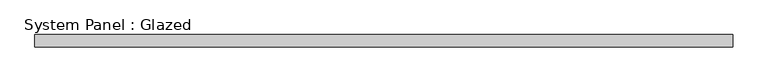
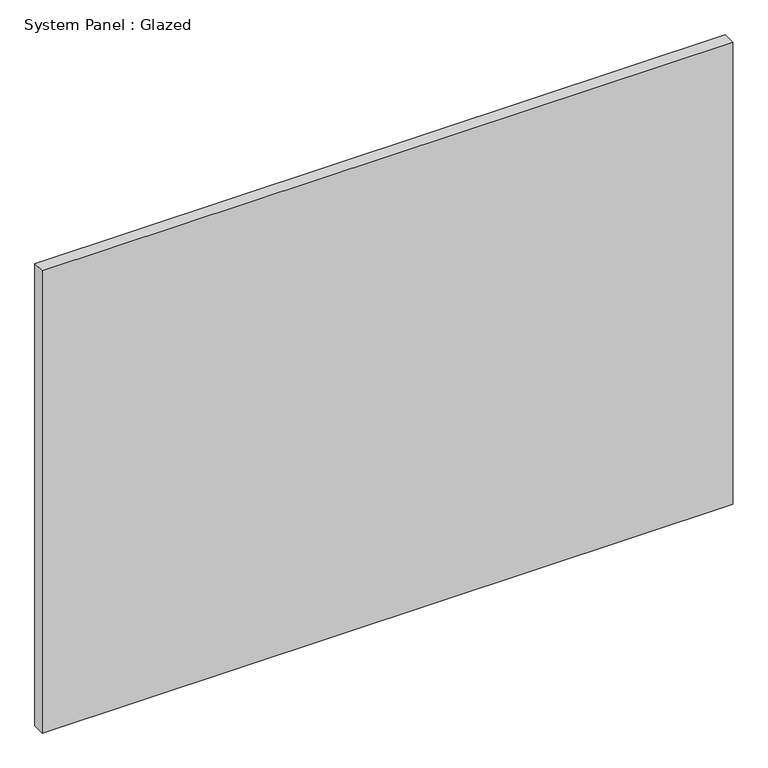
"""IFC4 building model written with IfcOpenShell, lengths in millimetres: plate geometry, System Panel : Glazed."""

import ifcopenshell
import ifcopenshell.guid

model = None  # the IFC model being written
_history = None  # IfcOwnerHistory: only IFC2X3 demands one
_inside = {}  # id of a spatial element -> (the spatial element, [elements in it])
_under = {}  # id of a project, library or spatial element -> (it, [spatial elements below it])
_declared = {}  # id of a project -> (the project, [libraries it declares])
_typed = {}  # id of a type object -> (the type object, [elements of that type])
_made_of = {}  # id of a material, layer set ... -> (it, [elements and type objects made of it])


def new_model(schema):
    """Start an empty IFC model of exactly this schema.

    Asked for "IFC4X3", IfcOpenShell would pick the latest addendum, in which some entities
    have other attributes; the version numbers below select the first issue.
    IFC2X3 requires an IfcOwnerHistory on every rooted entity: one is made here for all.
    """
    global model, _history
    if schema == "IFC4X3":
        model = ifcopenshell.file(schema_version=(4, 3, 0, 0))
    else:
        model = ifcopenshell.file(schema=schema)
    _inside.clear()
    _under.clear()
    _declared.clear()
    _typed.clear()
    _made_of.clear()
    _history = None
    if model.schema == "IFC2X3":
        org = make("IfcOrganization", Name="unknown")
        user = make(
            "IfcPersonAndOrganization",
            ThePerson=make("IfcPerson", FamilyName="unknown"),
            TheOrganization=org,
        )
        app = make(
            "IfcApplication",
            ApplicationDeveloper=org,
            Version="unknown",
            ApplicationFullName="unknown",
            ApplicationIdentifier="unknown",
        )
        _history = make(
            "IfcOwnerHistory",
            OwningUser=user,
            OwningApplication=app,
            ChangeAction="ADDED",
            CreationDate=0,
        )
    return model


def make(cls, **values):
    """One entity of the class cls with the attributes given. An attribute that is None is left unset."""
    return model.create_entity(
        cls, **{name: value for name, value in values.items() if value is not None}
    )


def rooted(cls, **values):
    """An entity with a GlobalId (a new one), such as an element, a storey or a relation."""
    return make(cls, GlobalId=ifcopenshell.guid.new(), OwnerHistory=_history, **values)


def si_unit(unit_type, name, prefix=None):
    """IfcSIUnit, for example si_unit("LENGTHUNIT", "METRE", prefix="MILLI")."""
    return make("IfcSIUnit", UnitType=unit_type, Prefix=prefix, Name=name)


def assignment(units):
    """IfcUnitAssignment: the units of a project."""
    return None if units is None else make("IfcUnitAssignment", Units=units)


def point(xyz):
    """IfcCartesianPoint."""
    return None if xyz is None else make("IfcCartesianPoint", Coordinates=xyz)


def direction(xyz):
    """IfcDirection."""
    return None if xyz is None else make("IfcDirection", DirectionRatios=xyz)


def frame(location, z_axis=None, x_axis=None):
    """IfcAxis2Placement3D, a coordinate frame: its origin and axes. An axis left out is left unset."""
    return make(
        "IfcAxis2Placement3D",
        Location=point(location),
        Axis=direction(z_axis),
        RefDirection=direction(x_axis),
    )


def origin():
    """The frame at (0, 0, 0) with its axes left unset."""
    return frame((0.0, 0.0, 0.0))


def origin_with_axes():
    """The frame at (0, 0, 0) with the z axis (0, 0, 1) and the x axis (1, 0, 0) written out."""
    return frame((0.0, 0.0, 0.0), z_axis=(0.0, 0.0, 1.0), x_axis=(1.0, 0.0, 0.0))


def place(relative_to, where):
    """IfcLocalPlacement: puts the frame where relative to a parent placement (None: the world)."""
    return make(
        "IfcLocalPlacement", PlacementRelTo=relative_to, RelativePlacement=where
    )


def context(
    kind, dimensions, precision=None, world=None, true_north=None, identifier=None
):
    """IfcGeometricRepresentationContext, for example the 3D "Model" context."""
    return make(
        "IfcGeometricRepresentationContext",
        ContextIdentifier=identifier,
        ContextType=kind,
        CoordinateSpaceDimension=dimensions,
        Precision=precision,
        WorldCoordinateSystem=world,
        TrueNorth=true_north,
    )


def project(units=None, contexts=None):
    """IfcProject with its units and contexts."""
    return rooted(
        "IfcProject",
        Name="project",
        RepresentationContexts=contexts,
        UnitsInContext=assignment(units),
    )


def spatial(cls, under=None, at=None, **own):
    """A site, building, storey or space (cls), placed at a placement, below another one or the project."""
    s = rooted(cls, ObjectPlacement=at, **own)
    if under is not None:
        _under.setdefault(under.id(), (under, []))[1].append(s)
    return s


def polyline(points):
    """IfcPolyline through the points."""
    return make("IfcPolyline", Points=[point(p) for p in points])


def outline(outer, holes=None, kind="AREA"):
    """IfcArbitraryClosedProfileDef: a profile drawn as a closed curve; with holes, ...WithVoids."""
    if holes is None:
        return make("IfcArbitraryClosedProfileDef", ProfileType=kind, OuterCurve=outer)
    return make(
        "IfcArbitraryProfileDefWithVoids",
        ProfileType=kind,
        OuterCurve=outer,
        InnerCurves=holes,
    )


def extrude(swept, where, along, depth):
    """IfcExtrudedAreaSolid: the profile swept, set in the frame where, extruded along a direction by depth."""
    return make(
        "IfcExtrudedAreaSolid",
        SweptArea=swept,
        Position=where,
        ExtrudedDirection=direction(along),
        Depth=depth,
    )


def shape(context_of_items, identifier, shape_type, items):
    """IfcShapeRepresentation: the items that make up one representation, for example the "Body"."""
    return make(
        "IfcShapeRepresentation",
        ContextOfItems=context_of_items,
        RepresentationIdentifier=identifier,
        RepresentationType=shape_type,
        Items=items,
    )


def source(mapping_origin, context_of_items, identifier, shape_type, items):
    """IfcRepresentationMap: a shape defined once, which mapped items show again and again."""
    return make(
        "IfcRepresentationMap",
        MappingOrigin=mapping_origin,
        MappedRepresentation=shape(context_of_items, identifier, shape_type, items),
    )


def transform(
    local_origin,
    x_axis=None,
    y_axis=None,
    z_axis=None,
    scale=None,
    scale2=None,
    scale3=None,
    uniform=True,
):
    """IfcCartesianTransformationOperator3D, or its non-uniform kind. x_axis, y_axis, z_axis: its Axis1, 2, 3."""
    if uniform:
        return make(
            "IfcCartesianTransformationOperator3D",
            Axis1=direction(x_axis),
            Axis2=direction(y_axis),
            LocalOrigin=point(local_origin),
            Scale=scale,
            Axis3=direction(z_axis),
        )
    return make(
        "IfcCartesianTransformationOperator3DnonUniform",
        Axis1=direction(x_axis),
        Axis2=direction(y_axis),
        LocalOrigin=point(local_origin),
        Scale=scale,
        Axis3=direction(z_axis),
        Scale2=scale2,
        Scale3=scale3,
    )


def mapped(mapping_source, mapping_target):
    """IfcMappedItem: shows the shape of a source again, moved by a transform."""
    return make(
        "IfcMappedItem", MappingSource=mapping_source, MappingTarget=mapping_target
    )


def made_of(thing, what):
    """Note that an element or type object is made of a material, layer set ...; save() writes the relation."""
    if what is not None:
        _made_of.setdefault(what.id(), (what, []))[1].append(thing)
    return thing


def element(
    cls,
    number,
    at=None,
    inside=None,
    cuts=None,
    type_object=None,
    material=None,
    context=None,
    identifier="Body",
    shape_type=None,
    held_by="IfcProductDefinitionShape",
    body=None,
    shapes=None,
    **own,
):
    """One element of the class cls, such as IfcWall. Its Tag is "e" and its number.

    at: its placement. inside: the storey or other place that contains it. cuts: it is an
    opening in that element (IfcRelVoidsElement). A single representation is given by context,
    identifier, shape_type and body (its items); several are given by shapes. held_by: the class
    of the entity that holds the representations. save() writes the other relations.
    """
    e = rooted(cls, Tag="e%d" % number, ObjectPlacement=at, **own)
    if body is not None:
        shapes = [shape(context, identifier, shape_type, body)]
    if shapes is not None:
        e.Representation = make(held_by, Representations=shapes)
    if inside is not None:
        _inside.setdefault(inside.id(), (inside, []))[1].append(e)
    if cuts is not None:
        rooted(
            "IfcRelVoidsElement", RelatingBuildingElement=cuts, RelatedOpeningElement=e
        )
    if type_object is not None:
        _typed.setdefault(type_object.id(), (type_object, []))[1].append(e)
    return made_of(e, material)


def aggregate(whole, parts):
    """IfcRelAggregates: a whole, such as a stair, and the parts it consists of."""
    return rooted("IfcRelAggregates", RelatingObject=whole, RelatedObjects=parts)


def save(model, path):
    """Write the relations noted so far, then the file.

    IfcRelAggregates (storeys below a building ...), IfcRelContainedInSpatialStructure (elements
    in a storey), IfcRelDefinesByType, IfcRelAssociatesMaterial and IfcRelDeclares: one each for
    every whole, place, type object, material and project.
    """
    for whole, parts in _under.values():
        aggregate(whole, parts)
    for where, things in _inside.values():
        rooted(
            "IfcRelContainedInSpatialStructure",
            RelatedElements=things,
            RelatingStructure=where,
        )
    for kind, things in _typed.values():
        rooted("IfcRelDefinesByType", RelatedObjects=things, RelatingType=kind)
    for what, things in _made_of.values():
        rooted("IfcRelAssociatesMaterial", RelatedObjects=things, RelatingMaterial=what)
    for by, libraries in _declared.values():
        rooted("IfcRelDeclares", RelatingContext=by, RelatedDefinitions=libraries)
    model.write(path)


def system_panel_glazed_7a93832e(model_context):
    return source(origin(), model_context, "Body", "SweptSolid", [
        extrude(outline(polyline([(697.2278333, 24.5), (-697.2278333, 24.5), (-697.2278333, 49.5), (697.2278333, 49.5), (697.2278333, 24.5)])), origin_with_axes(), (0.0, 0.0, 1.0), 987.1494736),
    ])


if __name__ == "__main__":
    model = new_model("IFC4")
    model_context = context("Model", 3, world=origin())
    ifc_project = project(units=[si_unit("LENGTHUNIT", "METRE", prefix="MILLI")], contexts=[model_context])
    site = spatial("IfcSite", under=ifc_project)
    building = spatial("IfcBuilding", under=site)
    placement = place(None, origin())
    system_panel_glazed_shape = system_panel_glazed_7a93832e(model_context)
    element("IfcPlate", 1, ObjectType="System Panel : Glazed", at=placement, inside=building, context=model_context, shape_type="MappedRepresentation", body=[
        mapped(system_panel_glazed_shape, transform((0.0, 0.0, 0.0), x_axis=(1.0, 0.0, 0.0), y_axis=(0.0, 1.0, 0.0), z_axis=(0.0, 0.0, 1.0))),
    ])
    save(model, "model.ifc")
